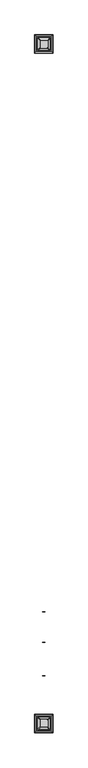
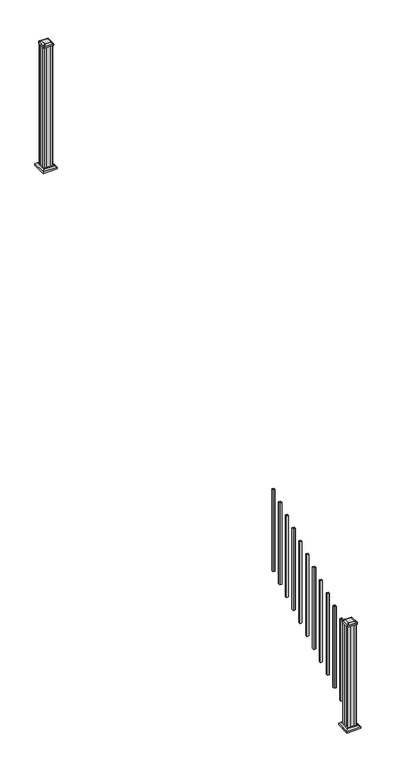
"""IFC4 building model written with IfcOpenShell, lengths in millimetres: railing geometry."""

from ifc_helpers import new_model, si_unit, point, frame, frame_2d, origin, place, context, project, spatial, polyline, circle_curve, trimmed, segment, composite_curve, outline, extrude, faceted_brep, source, transform, mapped, element, save
from ifc_brep_helpers import plane_surface, extruded_surface, advanced_brep


def railing_a97a05a8(model_context):
    return source(origin(), model_context, "Body", "SolidModel", [
        extrude(outline(polyline([(6235.5192659, 2976.1539694), (6216.4692659, 2976.1539694), (6216.4692659, 2995.2039694), (6235.5192659, 2995.2039694), (6235.5192659, 2976.1539694)]), holes=[polyline([(6235.1223909, 2976.5508444), (6235.1223909, 2994.8070944), (6216.8661409, 2994.8070944), (6216.8661409, 2976.5508444), (6235.1223909, 2976.5508444)])]), frame((0.0, 0.0, 941.3172322), z_axis=(0.0, 0.0, 1.0), x_axis=(1.0, 0.0, 0.0)), (0.0, 0.0, 1.0), 812.8041219),
        extrude(outline(polyline([(6235.5192659, 2865.0289694), (6216.4692659, 2865.0289694), (6216.4692659, 2884.0789694), (6235.5192659, 2884.0789694), (6235.5192659, 2865.0289694)]), holes=[polyline([(6235.1223909, 2865.4258444), (6235.1223909, 2883.6820944), (6216.8661409, 2883.6820944), (6216.8661409, 2865.4258444), (6235.1223909, 2865.4258444)])]), frame((0.0, 0.0, 879.5811211), z_axis=(0.0, 0.0, 1.0), x_axis=(1.0, 0.0, 0.0)), (0.0, 0.0, 1.0), 812.8041219),
        extrude(outline(polyline([(6235.5192659, 2753.9039694), (6216.4692659, 2753.9039694), (6216.4692659, 2772.9539694), (6235.5192659, 2772.9539694), (6235.5192659, 2753.9039694)]), holes=[polyline([(6235.1223909, 2754.3008444), (6235.1223909, 2772.5570944), (6216.8661409, 2772.5570944), (6216.8661409, 2754.3008444), (6235.1223909, 2754.3008444)])]), frame((0.0, 0.0, 817.84501), z_axis=(0.0, 0.0, 1.0), x_axis=(1.0, 0.0, 0.0)), (0.0, 0.0, 1.0), 812.8041219),
        extrude(outline(polyline([(6235.5192659, 2642.7789694), (6216.4692659, 2642.7789694), (6216.4692659, 2661.8289694), (6235.5192659, 2661.8289694), (6235.5192659, 2642.7789694)]), holes=[polyline([(6235.1223909, 2643.1758444), (6235.1223909, 2661.4320944), (6216.8661409, 2661.4320944), (6216.8661409, 2643.1758444), (6235.1223909, 2643.1758444)])]), frame((0.0, 0.0, 756.1088989), z_axis=(0.0, 0.0, 1.0), x_axis=(1.0, 0.0, 0.0)), (0.0, 0.0, 1.0), 812.8041219),
        extrude(outline(polyline([(6235.5192659, 2531.6539694), (6216.4692659, 2531.6539694), (6216.4692659, 2550.7039694), (6235.5192659, 2550.7039694), (6235.5192659, 2531.6539694)]), holes=[polyline([(6235.1223909, 2532.0508444), (6235.1223909, 2550.3070944), (6216.8661409, 2550.3070944), (6216.8661409, 2532.0508444), (6235.1223909, 2532.0508444)])]), frame((0.0, 0.0, 694.3727878), z_axis=(0.0, 0.0, 1.0), x_axis=(1.0, 0.0, 0.0)), (0.0, 0.0, 1.0), 812.8041219),
        extrude(outline(polyline([(6235.5192659, 2420.5289694), (6216.4692659, 2420.5289694), (6216.4692659, 2439.5789694), (6235.5192659, 2439.5789694), (6235.5192659, 2420.5289694)]), holes=[polyline([(6235.1223909, 2420.9258444), (6235.1223909, 2439.1820944), (6216.8661409, 2439.1820944), (6216.8661409, 2420.9258444), (6235.1223909, 2420.9258444)])]), frame((0.0, 0.0, 632.6366767), z_axis=(0.0, 0.0, 1.0), x_axis=(1.0, 0.0, 0.0)), (0.0, 0.0, 1.0), 812.8041219),
        extrude(outline(polyline([(6235.5192659, 2309.4039694), (6216.4692659, 2309.4039694), (6216.4692659, 2328.4539694), (6235.5192659, 2328.4539694), (6235.5192659, 2309.4039694)]), holes=[polyline([(6235.1223909, 2309.8008444), (6235.1223909, 2328.0570944), (6216.8661409, 2328.0570944), (6216.8661409, 2309.8008444), (6235.1223909, 2309.8008444)])]), frame((0.0, 0.0, 570.9005656), z_axis=(0.0, 0.0, 1.0), x_axis=(1.0, 0.0, 0.0)), (0.0, 0.0, 1.0), 812.8041219),
        extrude(outline(polyline([(6235.5192659, 2198.2789694), (6216.4692659, 2198.2789694), (6216.4692659, 2217.3289694), (6235.5192659, 2217.3289694), (6235.5192659, 2198.2789694)]), holes=[polyline([(6235.1223909, 2198.6758444), (6235.1223909, 2216.9320944), (6216.8661409, 2216.9320944), (6216.8661409, 2198.6758444), (6235.1223909, 2198.6758444)])]), frame((0.0, 0.0, 509.1644545), z_axis=(0.0, 0.0, 1.0), x_axis=(1.0, 0.0, 0.0)), (0.0, 0.0, 1.0), 812.8041219),
        extrude(outline(polyline([(6235.5192659, 2087.1539694), (6216.4692659, 2087.1539694), (6216.4692659, 2106.2039694), (6235.5192659, 2106.2039694), (6235.5192659, 2087.1539694)]), holes=[polyline([(6235.1223909, 2087.5508444), (6235.1223909, 2105.8070944), (6216.8661409, 2105.8070944), (6216.8661409, 2087.5508444), (6235.1223909, 2087.5508444)])]), frame((0.0, 0.0, 447.4283433), z_axis=(0.0, 0.0, 1.0), x_axis=(1.0, 0.0, 0.0)), (0.0, 0.0, 1.0), 812.8041219),
        extrude(outline(polyline([(6235.5192659, 1976.0289694), (6216.4692659, 1976.0289694), (6216.4692659, 1995.0789694), (6235.5192659, 1995.0789694), (6235.5192659, 1976.0289694)]), holes=[polyline([(6235.1223909, 1976.4258444), (6235.1223909, 1994.6820944), (6216.8661409, 1994.6820944), (6216.8661409, 1976.4258444), (6235.1223909, 1976.4258444)])]), frame((0.0, 0.0, 385.6922322), z_axis=(0.0, 0.0, 1.0), x_axis=(1.0, 0.0, 0.0)), (0.0, 0.0, 1.0), 812.8041219),
        extrude(outline(polyline([(6235.5192659, 1864.9039694), (6216.4692659, 1864.9039694), (6216.4692659, 1883.9539694), (6235.5192659, 1883.9539694), (6235.5192659, 1864.9039694)]), holes=[polyline([(6235.1223909, 1865.3008444), (6235.1223909, 1883.5570944), (6216.8661409, 1883.5570944), (6216.8661409, 1865.3008444), (6235.1223909, 1865.3008444)])]), frame((0.0, 0.0, 323.9561211), z_axis=(0.0, 0.0, 1.0), x_axis=(1.0, 0.0, 0.0)), (0.0, 0.0, 1.0), 812.8041219),
        extrude(outline(polyline([(6186.3067659, 6655.7805319), (6184.7192659, 6657.3680319), (6184.7192659, 6676.9895319), (6186.3067659, 6677.7515319), (6186.3067659, 6716.3595319), (6184.7192659, 6717.1215319), (6184.7192659, 6736.7430319), (6186.3067659, 6738.3305319), (6205.9282659, 6738.3305319), (6206.6902659, 6736.7430319), (6245.2982659, 6736.7430319), (6246.0602659, 6738.3305319), (6265.6817659, 6738.3305319), (6267.2692659, 6736.7430319), (6267.2692659, 6717.1215319), (6265.6817659, 6716.3595319), (6265.6817659, 6677.7515319), (6267.2692659, 6676.9895319), (6267.2692659, 6657.3680319), (6265.6817659, 6655.7805319), (6246.0602659, 6655.7805319), (6245.2982659, 6657.3680319), (6206.6902659, 6657.3680319), (6205.9282659, 6655.7805319), (6186.3067659, 6655.7805319)])), frame((0.0, 0.0, 2709.3333333), z_axis=(0.0, 0.0, 1.0), x_axis=(1.0, 0.0, 0.0)), (0.0, 0.0, 1.0), 1223.6281519),
        faceted_brep([(6278.5802034, 6644.4695944, 2737.9083333), (6278.5802034, 6749.6414694, 2737.9083333), (6173.4083284, 6749.6414694, 2737.9083333), (6173.4083284, 6644.4695944, 2737.9083333), (6292.6196565, 6630.4301413, 2724.5733333), (6159.3688753, 6630.4301413, 2724.5733333), (6159.3688753, 6763.6809225, 2724.5733333), (6292.6196565, 6763.6809225, 2724.5733333)], [[[0, 1, 2, 3]], [[4, 5, 6, 7]], [[4, 0, 3, 5]], [[5, 3, 2, 6]], [[6, 2, 1, 7]], [[7, 1, 0, 4]]]),
        extrude(outline(polyline([(6292.6196565, 6630.4301413), (6159.3688753, 6630.4301413), (6159.3688753, 6763.6809225), (6292.6196565, 6763.6809225), (6292.6196565, 6630.4301413)])), frame((0.0, 0.0, 2709.3333333), z_axis=(0.0, 0.0, 1.0), x_axis=(1.0, 0.0, 0.0)), (0.0, 0.0, 1.0), 15.24),
        advanced_brep(
        [(6200.1973909, 6668.0836569, 3961.5364852), (6251.7911409, 6668.0836569, 3961.5364852), (6254.9661409, 6671.2586569, 3961.5364852), (6254.9661409, 6722.8524069, 3961.5364852), (6251.7911409, 6726.0274069, 3961.5364852), (6200.1973909, 6726.0274069, 3961.5364852), (6197.0223909, 6722.8524069, 3961.5364852), (6197.0223909, 6671.2586569, 3961.5364852), (6183.9255159, 6651.8117819, 3950.2334852), (6180.7505159, 6654.9867819, 3950.2334852), (6180.7505159, 6739.1242819, 3950.2334852), (6183.9255159, 6742.2992819, 3950.2334852), (6268.0630159, 6742.2992819, 3950.2334852), (6271.2380159, 6739.1242819, 3950.2334852), (6271.2380159, 6654.9867819, 3950.2334852), (6268.0630159, 6651.8117819, 3950.2334852)],
        [
            (0, 1),
            (1, 2, circle_curve(frame((6251.7911409, 6671.2586569, 3961.5364852), z_axis=(0.0, 0.0, 1.0), x_axis=(0.0, 1.0, 0.0)), 3.175)),
            (2, 3),
            (3, 4, circle_curve(frame((6251.7911409, 6722.8524069, 3961.5364852), z_axis=(0.0, 0.0, 1.0), x_axis=(0.0, 1.0, 0.0)), 3.175)),
            (4, 5),
            (5, 6, circle_curve(frame((6200.1973909, 6722.8524069, 3961.5364852), z_axis=(0.0, 0.0, 1.0), x_axis=(0.0, 1.0, 0.0)), 3.175)),
            (6, 7),
            (7, 0, circle_curve(frame((6200.1973909, 6671.2586569, 3961.5364852), z_axis=(0.0, 0.0, 1.0), x_axis=(0.0, 1.0, 0.0)), 3.175)),
            (8, 9, circle_curve(frame((6183.9255159, 6654.9867819, 3950.2334852), z_axis=(0.0, 0.0, -1.0), x_axis=(0.0, 1.0, 0.0)), 3.175)),
            (9, 10),
            (10, 11, circle_curve(frame((6183.9255159, 6739.1242819, 3950.2334852), z_axis=(0.0, 0.0, -1.0), x_axis=(0.0, 1.0, 0.0)), 3.175)),
            (11, 12),
            (12, 13, circle_curve(frame((6268.0630159, 6739.1242819, 3950.2334852), z_axis=(0.0, 0.0, -1.0), x_axis=(0.0, 1.0, 0.0)), 3.175)),
            (13, 14),
            (14, 15, circle_curve(frame((6268.0630159, 6654.9867819, 3950.2334852), z_axis=(0.0, 0.0, -1.0), x_axis=(0.0, 1.0, 0.0)), 3.175)),
            (15, 8),
            (8, 0),
            (7, 9),
            (6, 10),
            (5, 11),
            (4, 12),
            (3, 13),
            (2, 14),
            (1, 15),
        ],
        [
            plane_surface(frame((6225.9942659, 6697.0555319, 3961.5364852), z_axis=(0.0, 0.0, 1.0), x_axis=(-1.0, 0.0, 0.0))),
            plane_surface(frame((6225.9942659, 6697.0555319, 3950.2334852), z_axis=(0.0, 0.0, -1.0), x_axis=(-1.0, 0.0, 0.0))),
            extruded_surface(trimmed(circle_curve(frame((6200.1973909, 6671.2586569, 3961.5364852), z_axis=(0.0, 0.0, -1.0), x_axis=(0.0, 1.0, 0.0)), 3.175), [point((6200.1973909, 6668.0836569, 3961.5364852))], [point((6197.0223909, 6671.2586569, 3961.5364852))], True, "CARTESIAN"), (-16.271874999999454, -16.271874999999454, -11.302999999999884), 25.63797263886542),
            plane_surface(frame((6180.7505159, 6697.0555319, 3950.2334852), z_axis=(-0.5705009161540687, 0.0, 0.8212969649690472), x_axis=(0.0, 1.0, 0.0))),
            extruded_surface(trimmed(circle_curve(frame((6200.1973909, 6722.8524069, 3961.5364852), z_axis=(0.0, 0.0, -1.0), x_axis=(0.0, 1.0, 0.0)), 3.175), [point((6197.0223909, 6722.8524069, 3961.5364852))], [point((6200.1973909, 6726.0274069, 3961.5364852))], True, "CARTESIAN"), (-16.271874999999454, 16.271875000000364, -11.302999999999884), 25.637972638865996),
            plane_surface(frame((6225.9942659, 6742.2992819, 3950.2334852), z_axis=(0.0, 0.5705009161540291, 0.8212969649690747), x_axis=(1.0, 0.0, 0.0))),
            extruded_surface(trimmed(circle_curve(frame((6251.7911409, 6722.8524069, 3961.5364852), z_axis=(0.0, 0.0, -1.0), x_axis=(0.0, 1.0, 0.0)), 3.175), [point((6251.7911409, 6726.0274069, 3961.5364852))], [point((6254.9661409, 6722.8524069, 3961.5364852))], True, "CARTESIAN"), (16.271875000000364, 16.271875000000364, -11.302999999999884), 25.63797263886657),
            plane_surface(frame((6271.2380159, 6697.0555319, 3950.2334852), z_axis=(0.5705009161540233, 0.0, 0.8212969649690787), x_axis=(0.0, -1.0, 0.0))),
            extruded_surface(trimmed(circle_curve(frame((6251.7911409, 6671.2586569, 3961.5364852), z_axis=(0.0, 0.0, -1.0), x_axis=(0.0, 1.0, 0.0)), 3.175), [point((6254.9661409, 6671.2586569, 3961.5364852))], [point((6251.7911409, 6668.0836569, 3961.5364852))], True, "CARTESIAN"), (16.271875000000364, -16.271874999999454, -11.302999999999884), 25.637972638865996),
            plane_surface(frame((6225.9942659, 6651.8117819, 3950.2334852), z_axis=(0.0, -0.570500916154034, 0.8212969649690713), x_axis=(-1.0, 0.0, 0.0))),
        ],
        [
            (0, [[1, 2, 3, 4, 5, 6, 7, 8]]),
            (1, [[9, 10, 11, 12, 13, 14, 15, 16]]),
            (2, [[17, -8, 18, -9]]),
            (3, [[-18, -7, 19, -10]]),
            (4, [[-19, -6, 20, -11]]),
            (5, [[-20, -5, 21, -12]]),
            (6, [[-21, -4, 22, -13]]),
            (7, [[-22, -3, 23, -14]]),
            (8, [[-23, -2, 24, -15]]),
            (9, [[-24, -1, -17, -16]]),
        ],
    ),
        extrude(outline(composite_curve([segment(trimmed(circle_curve(frame_2d((6183.9255159, 6654.9867819)), 3.175), [point((6183.9255159, 6651.8117819))], [point((6180.7505159, 6654.9867819))], False, "CARTESIAN"), True, "CONTINUOUS"), segment(polyline([(6180.7505159, 6654.9867819), (6180.7505159, 6739.1242819)]), True, "CONTINUOUS"), segment(trimmed(circle_curve(frame_2d((6183.9255159, 6739.1242819)), 3.175), [point((6180.7505159, 6739.1242819))], [point((6183.9255159, 6742.2992819))], False, "CARTESIAN"), True, "CONTINUOUS"), segment(polyline([(6183.9255159, 6742.2992819), (6268.0630159, 6742.2992819)]), True, "CONTINUOUS"), segment(trimmed(circle_curve(frame_2d((6268.0630159, 6739.1242819)), 3.175), [point((6268.0630159, 6742.2992819))], [point((6271.2380159, 6739.1242819))], False, "CARTESIAN"), True, "CONTINUOUS"), segment(polyline([(6271.2380159, 6739.1242819), (6271.2380159, 6654.9867819)]), True, "CONTINUOUS"), segment(trimmed(circle_curve(frame_2d((6268.0630159, 6654.9867819)), 3.175), [point((6271.2380159, 6654.9867819))], [point((6268.0630159, 6651.8117819))], False, "CARTESIAN"), True, "CONTINUOUS"), segment(polyline([(6268.0630159, 6651.8117819), (6183.9255159, 6651.8117819)]), True, "CONTINUOUS")], self_intersect=False)), frame((0.0, 0.0, 3932.9614852), z_axis=(0.0, 0.0, 1.0), x_axis=(1.0, 0.0, 0.0)), (0.0, 0.0, 1.0), 17.272),
        faceted_brep([(6278.5802034, 1685.1195944, 174.9777778), (6278.5802034, 1790.2914694, 174.9777778), (6173.4083284, 1790.2914694, 174.9777778), (6173.4083284, 1685.1195944, 174.9777778), (6292.6196565, 1671.0801413, 161.6427778), (6159.3688753, 1671.0801413, 161.6427778), (6159.3688753, 1804.3309225, 161.6427778), (6292.6196565, 1804.3309225, 161.6427778)], [[[0, 1, 2, 3]], [[4, 5, 6, 7]], [[4, 0, 3, 5]], [[5, 3, 2, 6]], [[6, 2, 1, 7]], [[7, 1, 0, 4]]]),
        extrude(outline(polyline([(6292.6196565, 1671.0801413), (6159.3688753, 1671.0801413), (6159.3688753, 1804.3309225), (6292.6196565, 1804.3309225), (6292.6196565, 1671.0801413)])), frame((0.0, 0.0, 146.4027778), z_axis=(0.0, 0.0, 1.0), x_axis=(1.0, 0.0, 0.0)), (0.0, 0.0, 1.0), 15.24),
        advanced_brep(
        [(6200.1973909, 1708.7336569, 1206.3420408), (6251.7911409, 1708.7336569, 1206.3420408), (6254.9661409, 1711.9086569, 1206.3420408), (6254.9661409, 1763.5024069, 1206.3420408), (6251.7911409, 1766.6774069, 1206.3420408), (6200.1973909, 1766.6774069, 1206.3420408), (6197.0223909, 1763.5024069, 1206.3420408), (6197.0223909, 1711.9086569, 1206.3420408), (6183.9255159, 1692.4617819, 1195.0390408), (6180.7505159, 1695.6367819, 1195.0390408), (6180.7505159, 1779.7742819, 1195.0390408), (6183.9255159, 1782.9492819, 1195.0390408), (6268.0630159, 1782.9492819, 1195.0390408), (6271.2380159, 1779.7742819, 1195.0390408), (6271.2380159, 1695.6367819, 1195.0390408), (6268.0630159, 1692.4617819, 1195.0390408)],
        [
            (0, 1),
            (1, 2, circle_curve(frame((6251.7911409, 1711.9086569, 1206.3420408), z_axis=(0.0, 0.0, 1.0), x_axis=(0.0, 1.0, 0.0)), 3.175)),
            (2, 3),
            (3, 4, circle_curve(frame((6251.7911409, 1763.5024069, 1206.3420408), z_axis=(0.0, 0.0, 1.0), x_axis=(0.0, 1.0, 0.0)), 3.175)),
            (4, 5),
            (5, 6, circle_curve(frame((6200.1973909, 1763.5024069, 1206.3420408), z_axis=(0.0, 0.0, 1.0), x_axis=(0.0, 1.0, 0.0)), 3.175)),
            (6, 7),
            (7, 0, circle_curve(frame((6200.1973909, 1711.9086569, 1206.3420408), z_axis=(0.0, 0.0, 1.0), x_axis=(0.0, 1.0, 0.0)), 3.175)),
            (8, 9, circle_curve(frame((6183.9255159, 1695.6367819, 1195.0390408), z_axis=(0.0, 0.0, -1.0), x_axis=(0.0, 1.0, 0.0)), 3.175)),
            (9, 10),
            (10, 11, circle_curve(frame((6183.9255159, 1779.7742819, 1195.0390408), z_axis=(0.0, 0.0, -1.0), x_axis=(0.0, 1.0, 0.0)), 3.175)),
            (11, 12),
            (12, 13, circle_curve(frame((6268.0630159, 1779.7742819, 1195.0390408), z_axis=(0.0, 0.0, -1.0), x_axis=(0.0, 1.0, 0.0)), 3.175)),
            (13, 14),
            (14, 15, circle_curve(frame((6268.0630159, 1695.6367819, 1195.0390408), z_axis=(0.0, 0.0, -1.0), x_axis=(0.0, 1.0, 0.0)), 3.175)),
            (15, 8),
            (8, 0),
            (7, 9),
            (6, 10),
            (5, 11),
            (4, 12),
            (3, 13),
            (2, 14),
            (1, 15),
        ],
        [
            plane_surface(frame((6225.9942659, 1737.7055319, 1206.3420408), z_axis=(0.0, 0.0, 1.0), x_axis=(-1.0, 0.0, 0.0))),
            plane_surface(frame((6225.9942659, 1737.7055319, 1195.0390408), z_axis=(0.0, 0.0, -1.0), x_axis=(-1.0, 0.0, 0.0))),
            extruded_surface(trimmed(circle_curve(frame((6200.1973909, 1711.9086569, 1206.3420408), z_axis=(0.0, 0.0, -1.0), x_axis=(0.0, 1.0, 0.0)), 3.175), [point((6200.1973909, 1708.7336569, 1206.3420408))], [point((6197.0223909, 1711.9086569, 1206.3420408))], True, "CARTESIAN"), (-16.271874999999454, -16.271875000000136, -11.302999999999884), 25.63797263886585),
            plane_surface(frame((6180.7505159, 1737.7055319, 1195.0390408), z_axis=(-0.5705009161540778, 0.0, 0.8212969649690408), x_axis=(0.0, 1.0, 0.0))),
            extruded_surface(trimmed(circle_curve(frame((6200.1973909, 1763.5024069, 1206.3420408), z_axis=(0.0, 0.0, -1.0), x_axis=(0.0, 1.0, 0.0)), 3.175), [point((6197.0223909, 1763.5024069, 1206.3420408))], [point((6200.1973909, 1766.6774069, 1206.3420408))], True, "CARTESIAN"), (-16.271874999999454, 16.27187499999991, -11.302999999999884), 25.63797263886571),
            plane_surface(frame((6225.9942659, 1782.9492819, 1195.0390408), z_axis=(0.0, 0.5705009161540291, 0.8212969649690747), x_axis=(1.0, 0.0, 0.0))),
            extruded_surface(trimmed(circle_curve(frame((6251.7911409, 1763.5024069, 1206.3420408), z_axis=(0.0, 0.0, -1.0), x_axis=(0.0, 1.0, 0.0)), 3.175), [point((6251.7911409, 1766.6774069, 1206.3420408))], [point((6254.9661409, 1763.5024069, 1206.3420408))], True, "CARTESIAN"), (16.271875000000364, 16.27187499999991, -11.302999999999884), 25.637972638866284),
            plane_surface(frame((6271.2380159, 1737.7055319, 1195.0390408), z_axis=(0.5705009161540142, 0.0, 0.8212969649690851), x_axis=(0.0, -1.0, 0.0))),
            extruded_surface(trimmed(circle_curve(frame((6251.7911409, 1711.9086569, 1206.3420408), z_axis=(0.0, 0.0, -1.0), x_axis=(0.0, 1.0, 0.0)), 3.175), [point((6254.9661409, 1711.9086569, 1206.3420408))], [point((6251.7911409, 1708.7336569, 1206.3420408))], True, "CARTESIAN"), (16.271875000000364, -16.271875000000136, -11.302999999999884), 25.637972638866426),
            plane_surface(frame((6225.9942659, 1692.4617819, 1195.0390408), z_axis=(0.0, -0.570500916154034, 0.8212969649690713), x_axis=(-1.0, 0.0, 0.0))),
        ],
        [
            (0, [[1, 2, 3, 4, 5, 6, 7, 8]]),
            (1, [[9, 10, 11, 12, 13, 14, 15, 16]]),
            (2, [[17, -8, 18, -9]]),
            (3, [[-18, -7, 19, -10]]),
            (4, [[-19, -6, 20, -11]]),
            (5, [[-20, -5, 21, -12]]),
            (6, [[-21, -4, 22, -13]]),
            (7, [[-22, -3, 23, -14]]),
            (8, [[-23, -2, 24, -15]]),
            (9, [[-24, -1, -17, -16]]),
        ],
    ),
        extrude(outline(composite_curve([segment(trimmed(circle_curve(frame_2d((6183.9255159, 1695.6367819)), 3.175), [point((6183.9255159, 1692.4617819))], [point((6180.7505159, 1695.6367819))], False, "CARTESIAN"), True, "CONTINUOUS"), segment(polyline([(6180.7505159, 1695.6367819), (6180.7505159, 1779.7742819)]), True, "CONTINUOUS"), segment(trimmed(circle_curve(frame_2d((6183.9255159, 1779.7742819)), 3.175), [point((6180.7505159, 1779.7742819))], [point((6183.9255159, 1782.9492819))], False, "CARTESIAN"), True, "CONTINUOUS"), segment(polyline([(6183.9255159, 1782.9492819), (6268.0630159, 1782.9492819)]), True, "CONTINUOUS"), segment(trimmed(circle_curve(frame_2d((6268.0630159, 1779.7742819)), 3.175), [point((6268.0630159, 1782.9492819))], [point((6271.2380159, 1779.7742819))], False, "CARTESIAN"), True, "CONTINUOUS"), segment(polyline([(6271.2380159, 1779.7742819), (6271.2380159, 1695.6367819)]), True, "CONTINUOUS"), segment(trimmed(circle_curve(frame_2d((6268.0630159, 1695.6367819)), 3.175), [point((6271.2380159, 1695.6367819))], [point((6268.0630159, 1692.4617819))], False, "CARTESIAN"), True, "CONTINUOUS"), segment(polyline([(6268.0630159, 1692.4617819), (6183.9255159, 1692.4617819)]), True, "CONTINUOUS")], self_intersect=False)), frame((0.0, 0.0, 1177.7670408), z_axis=(0.0, 0.0, 1.0), x_axis=(1.0, 0.0, 0.0)), (0.0, 0.0, 1.0), 17.272),
        extrude(outline(polyline([(6186.3067659, 1696.4305319), (6184.7192659, 1698.0180319), (6184.7192659, 1717.6395319), (6186.3067659, 1718.4015319), (6186.3067659, 1757.0095319), (6184.7192659, 1757.7715319), (6184.7192659, 1777.3930319), (6186.3067659, 1778.9805319), (6205.9282659, 1778.9805319), (6206.6902659, 1777.3930319), (6245.2982659, 1777.3930319), (6246.0602659, 1778.9805319), (6265.6817659, 1778.9805319), (6267.2692659, 1777.3930319), (6267.2692659, 1757.7715319), (6265.6817659, 1757.0095319), (6265.6817659, 1718.4015319), (6267.2692659, 1717.6395319), (6267.2692659, 1698.0180319), (6265.6817659, 1696.4305319), (6246.0602659, 1696.4305319), (6245.2982659, 1698.0180319), (6206.6902659, 1698.0180319), (6205.9282659, 1696.4305319), (6186.3067659, 1696.4305319)])), frame((0.0, 0.0, 146.4027778), z_axis=(0.0, 0.0, 1.0), x_axis=(1.0, 0.0, 0.0)), (0.0, 0.0, 1.0), 1031.364263),
    ])


if __name__ == "__main__":
    model = new_model("IFC4")
    model_context = context("Model", 3, world=origin())
    ifc_project = project(units=[si_unit("LENGTHUNIT", "METRE", prefix="MILLI")], contexts=[model_context])
    site = spatial("IfcSite", under=ifc_project)
    building = spatial("IfcBuilding", under=site)
    placement = place(None, origin())
    railing_shape = railing_a97a05a8(model_context)
    element("IfcRailing", 1, at=placement, inside=building, context=model_context, shape_type="MappedRepresentation", body=[
        mapped(railing_shape, transform((0.0, 0.0, 0.0), x_axis=(1.0, 0.0, 0.0), y_axis=(0.0, 1.0, 0.0), z_axis=(0.0, 0.0, 1.0))),
    ])
    save(model, "model.ifc")
